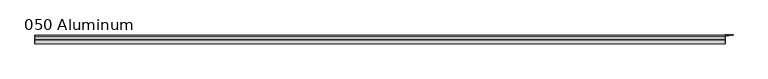
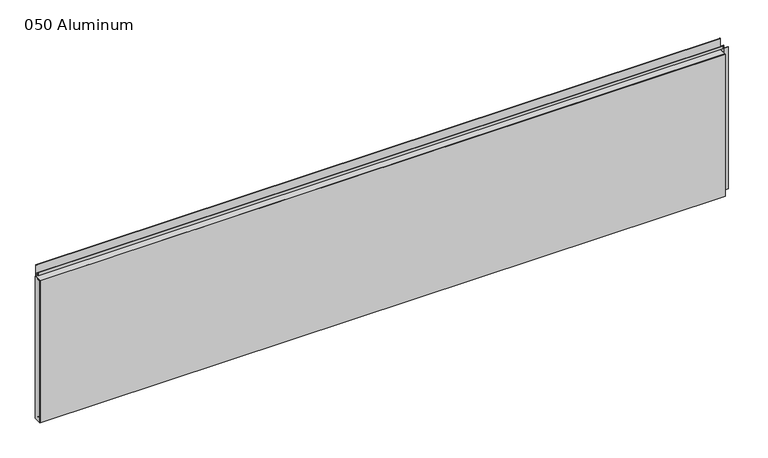
"""IFC4 building model written with IfcOpenShell, lengths in millimetres: plate geometry, 050 Aluminum."""

from ifc_helpers import new_model, si_unit, point, frame, frame_2d, origin, origin_with_axes, place, context, project, spatial, polyline, circle_curve, trimmed, segment, composite_curve, outline, extrude, source, transform, mapped, element, save


def plate_050_aluminum_f43cbea2(model_context):
    return source(origin(), model_context, "Body", "SweptSolid", [
        extrude(outline(polyline([(-1395.3331249, -2.5660257), (-1395.3331249, -34.7980001), (-1396.6031248, -34.7980001), (-1396.6031248, -1.2699999), (-1382.4426243, -1.2699999), (-1382.4426243, -2.5660257), (-1395.3331249, -2.5660257)])), origin_with_axes(), (0.0, 0.0, 1.0), 608.33),
        extrude(outline(composite_curve([segment(polyline([(-16.6765477, 13.1458337), (-16.6765477, 2.786437), (-17.9464915, 2.786437), (-17.9464915, 13.1323356)]), True, "CONTINUOUS"), segment(trimmed(circle_curve(frame_2d((-19.8514743, 13.124237)), 1.905), [point((-17.9464915, 13.1323356))], [point((-21.7564743, 13.124237))], True, "CARTESIAN"), True, "CONTINUOUS"), segment(polyline([(-21.7564743, 13.124237), (-21.7564743, 0.0), (-34.7980002, 0.0), (-34.7980002, 1.2693678), (-23.0264743, 1.2693678), (-23.0264743, 13.124237)]), True, "CONTINUOUS"), segment(trimmed(circle_curve(frame_2d((-19.8514743, 13.124237)), 3.175), [point((-23.0264743, 13.124237))], [point((-16.6765477, 13.1458337))], False, "CARTESIAN"), True, "CONTINUOUS")], self_intersect=False)), frame((-1395.3331249, 0.0, 0.0), z_axis=(1.0, 0.0, 0.0), x_axis=(0.0, 1.0, 0.0)), (0.0, 0.0, 1.0), 2777.9662498),
        extrude(outline(composite_curve([segment(polyline([(-2.0574743, 656.7932001), (-2.0574743, 608.33), (-34.7980002, 608.33), (-34.7980002, 609.6000001), (-3.3274743, 609.6000001), (-3.3274743, 656.7932001)]), True, "CONTINUOUS"), segment(trimmed(circle_curve(frame_2d((-3.7084742, 656.7932001)), 0.3809999), [point((-3.3274743, 656.7932001))], [point((-4.0894742, 656.7932001))], True, "CARTESIAN"), True, "CONTINUOUS"), segment(polyline([(-4.0894742, 656.7932001), (-4.0894742, 622.3), (-20.4864742, 622.3), (-20.4864742, 633.6538), (-19.2164743, 633.6538), (-19.2164743, 623.57), (-5.3594742, 623.57), (-5.3594742, 656.7932001)]), True, "CONTINUOUS"), segment(trimmed(circle_curve(frame_2d((-3.7084742, 656.7932001)), 1.6509999), [point((-5.3594742, 656.7932001))], [point((-2.0574743, 656.7932001))], False, "CARTESIAN"), True, "CONTINUOUS")], self_intersect=False)), frame((-1395.3331249, 0.0, 0.0), z_axis=(1.0, 0.0, 0.0), x_axis=(0.0, 1.0, 0.0)), (0.0, 0.0, 1.0), 2777.9662498),
        extrude(outline(polyline([(-1396.6031249, -36.068), (-1396.6031249, -34.7980001), (1383.9031249, -34.7980001), (1383.9031249, -36.068), (-1396.6031249, -36.068)])), origin_with_axes(), (0.0, 0.0, 1.0), 609.6),
        extrude(outline(polyline([(1383.9031249, -1.2699999), (1383.9031249, -34.7980002), (1382.633125, -34.7980002), (1382.633125, 0.0), (1416.4152106, 0.0), (1416.4152106, -1.2699999), (1383.9031249, -1.2699999)])), origin_with_axes(), (0.0, 0.0, 1.0), 608.33),
        extrude(outline(polyline([(1382.6331249, -3.3274743), (1382.6331249, -2.0574743), (1398.3811248, -2.0574743), (1398.3811248, -3.3274743), (1382.6331249, -3.3274743)])), origin_with_axes(), (0.0, 0.0, 1.0), 622.3),
    ])


if __name__ == "__main__":
    model = new_model("IFC4")
    model_context = context("Model", 3, world=origin())
    ifc_project = project(units=[si_unit("LENGTHUNIT", "METRE", prefix="MILLI")], contexts=[model_context])
    site = spatial("IfcSite", under=ifc_project)
    building = spatial("IfcBuilding", under=site)
    placement = place(None, origin())
    plate_050_aluminum_shape = plate_050_aluminum_f43cbea2(model_context)
    element("IfcPlate", 1, ObjectType="050 Aluminum", at=placement, inside=building, context=model_context, shape_type="MappedRepresentation", body=[
        mapped(plate_050_aluminum_shape, transform((0.0, 0.0, 0.0), x_axis=(1.0, 0.0, 0.0), y_axis=(0.0, 1.0, 0.0), z_axis=(0.0, 0.0, 1.0))),
    ])
    save(model, "model.ifc")
